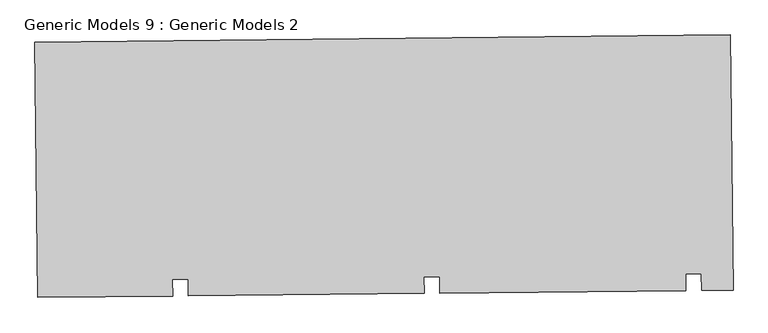
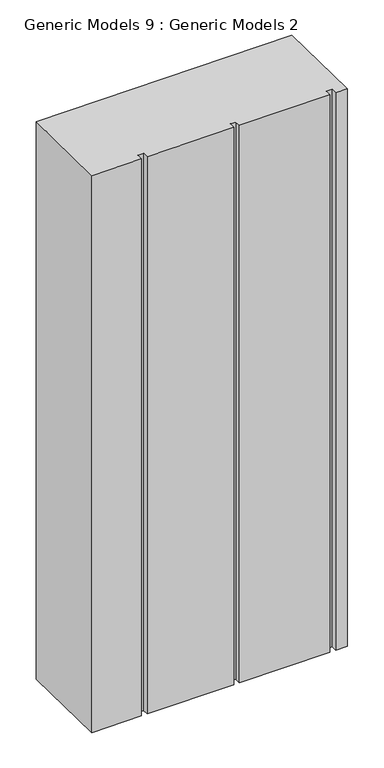
"""IFC4 building model written with IfcOpenShell, lengths in millimetres: proxy geometry, Generic Models 9 : Generic Models 2."""

from ifc_helpers import new_model, si_unit, frame, origin, place, context, project, spatial, polyline, outline, extrude, source, transform, mapped, element, save


def generic_models_9_generic_models_2_5f675a4b(model_context):
    return source(origin(), model_context, "Body", "SweptSolid", [
        extrude(outline(polyline([(3429.7502709, -15780.4480251), (3434.9594993, -16267.4623814), (3374.9629313, -16268.1041198), (3374.6244945, -16236.4634292), (3344.5927796, -16236.784656), (3344.9312164, -16268.4253466), (2874.9915313, -16273.4519401), (2874.6530945, -16241.8112494), (2844.6213796, -16242.1324762), (2844.9598164, -16273.7731669), (2395.0189873, -16278.5858475), (2394.6805505, -16246.9451568), (2364.6488356, -16247.2663836), (2364.9872724, -16278.9070743), (2107.4468164, -16281.661792), (2102.237588, -15794.6474357), (3429.7502709, -15780.4480251)])), frame((0.0, 0.0, 3000.0), z_axis=(0.0, 0.0, 1.0), x_axis=(1.0, 0.0, 0.0)), (0.0, 0.0, 1.0), 3044.7067261),
    ])


if __name__ == "__main__":
    model = new_model("IFC4")
    model_context = context("Model", 3, world=origin())
    ifc_project = project(units=[si_unit("LENGTHUNIT", "METRE", prefix="MILLI")], contexts=[model_context])
    site = spatial("IfcSite", under=ifc_project)
    building = spatial("IfcBuilding", under=site)
    placement = place(None, origin())
    generic_models_9_generic_models_2_shape = generic_models_9_generic_models_2_5f675a4b(model_context)
    element("IfcBuildingElementProxy", 1, Name="Generic Models 9 : Generic Models 2", ObjectType="Generic Models 9 : Generic Models 2", at=placement, inside=building, context=model_context, shape_type="MappedRepresentation", body=[
        mapped(generic_models_9_generic_models_2_shape, transform((0.0, 0.0, 0.0), x_axis=(1.0, 0.0, 0.0), y_axis=(0.0, 1.0, 0.0), z_axis=(0.0, 0.0, 1.0))),
    ])
    save(model, "model.ifc")
